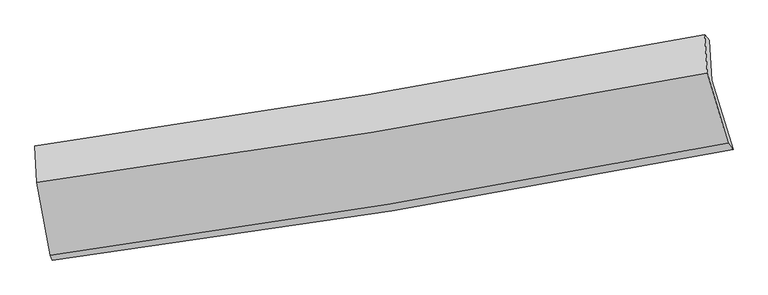
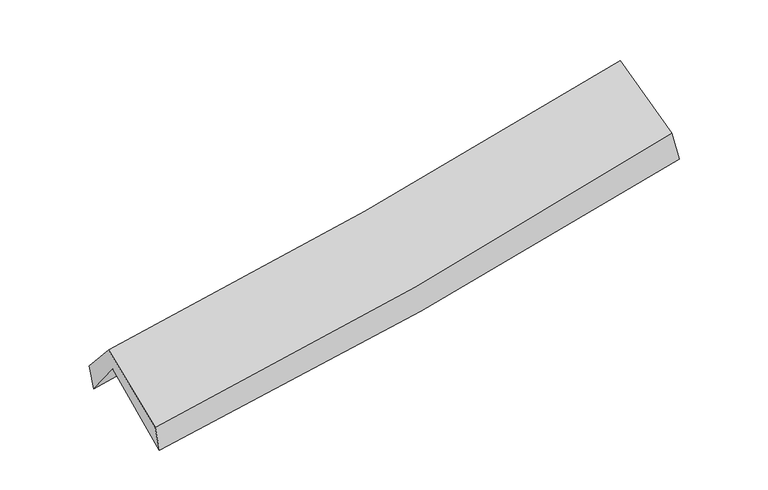
"""IFC4 building model written with IfcOpenShell, lengths in millimetres: proxy geometry."""

from ifc_helpers import new_model, si_unit, frame, origin, place, context, project, spatial, source, transform, mapped, element, save
from ifc_brep_helpers import plane_surface, spline_curve, spline_surface, advanced_brep


def generic_models_6c4c4f39(model_context):
    return source(origin(), model_context, "Body", "AdvancedBrep", [
        advanced_brep(
        [(-2251.8857727, -2455.8220392, 1492.4803083), (-2345.0333462, -1957.3247888, 1923.3232738), (2289.705172, -1213.4972826, 2337.8060975), (2437.8899113, -1692.7693106, 1906.8825181), (-2355.3040173, -1706.2933379, 1602.3762295), (2274.5613291, -938.2817018, 2024.7902574), (-2372.6603212, -1668.490542, 1786.1689587), (2241.9296848, -901.6339123, 2228.4121012), (-2359.8364544, -1921.8660903, 2074.0339644), (2260.2706647, -1167.0555183, 2500.3536814), (-2268.4778621, -2423.7520854, 1675.8258275), (2402.8945214, -1648.1681842, 2116.8915941)],
        [
            (0, 1),
            (1, 2, spline_curve(3, [(-2345.0333462, -1957.3247888, 1923.3232738), (-1575.073067303, -1848.683222323, 1978.811313739), (-806.674643665, -1732.882306512, 2040.795447171), (738.284507846, -1485.152092399, 2178.763767246), (1514.798923361, -1353.010506372, 2254.940575096), (2289.705172, -1213.4972826, 2337.8060975)], [4, 2, 4], [0.0, 7.721446307581661, 15.556533979755066])),
            (2, 3),
            (3, 0, spline_curve(3, [(2437.8899113, -1692.7693106, 1906.8825181), (1656.677045459, -1846.572242224, 1819.175912578), (872.378672514, -1987.432082999, 1740.603061764), (-690.968745005, -2241.410258002, 1602.732024993), (-1469.928933622, -2354.901326796, 1543.170805941), (-2251.8857727, -2455.8220392, 1492.4803083)], [4, 2, 4], [0.0, 7.8350876721734055, 15.556533979755066])),
            (1, 4),
            (4, 5, spline_curve(3, [(-2355.3040173, -1706.2933379, 1602.3762295), (-1587.170109008, -1589.613115721, 1666.516436664), (-820.091727522, -1467.777503257, 1733.509568547), (723.228019561, -1211.926491566, 1874.229649843), (1499.438087097, -1077.758225184, 1948.041194057), (2274.5613291, -938.2817018, 2024.7902574)], [4, 2, 4], [0.0, 7.673894954609958, 15.460731430747988])),
            (5, 2),
            (4, 6),
            (6, 7, spline_curve(3, [(-2372.6603212, -1668.490542, 1786.1689587), (-1605.575665811, -1558.544785969, 1850.089465267), (-840.280158572, -1440.195853983, 1918.600316547), (697.969561777, -1184.826146998, 2065.878584971), (1470.870722923, -1047.556202714, 2144.782114464), (2241.9296848, -901.6339123, 2228.4121012)], [4, 2, 4], [0.0, 7.662851607061899, 15.438482203784778])),
            (7, 5),
            (6, 8),
            (8, 9, spline_curve(3, [(-2359.8364544, -1921.8660903, 2074.0339644), (-1591.069106379, -1815.535752493, 2127.296970977), (-824.47303965, -1699.996960615, 2189.132509441), (715.627049303, -1448.666484376, 2330.984890059), (1489.066689061, -1312.601752324, 2411.255923947), (2260.2706647, -1167.0555183, 2500.3536814)], [4, 2, 4], [0.0, 7.654122575358243, 15.420895669747113])),
            (9, 7),
            (8, 10),
            (10, 11, spline_curve(3, [(-2268.4778621, -2423.7520854, 1675.8258275), (-1489.445866262, -2318.100350801, 1728.219901855), (-713.470066423, -2201.197427572, 1790.828750345), (843.744683446, -1943.003079244, 1937.547785342), (1624.893011496, -1801.378035473, 2021.960859209), (2402.8945214, -1648.1681842, 2116.8915941)], [4, 2, 4], [0.0, 7.701172692718307, 15.515688370532278])),
            (11, 9),
            (10, 0),
            (3, 11),
        ],
        [
            spline_surface(3, 3, [[(-2251.8857727, -2455.8220392, 1492.4803083), (-1469.928933582, -2354.901326796, 1543.17080607), (-690.968745052, -2241.410258033, 1602.732025103), (872.378672562, -1987.432082967, 1740.603061652), (1656.677045343, -1846.572242203, 1819.175912512), (2437.8899113, -1692.7693106, 1906.8825181)], [(-2282.934963852, -2289.65628906, 1636.094630126), (-1504.976978135, -2186.161958658, 1688.384308647), (-729.537377885, -2071.900940841, 1748.753165787), (827.680617628, -1820.005419454, 1886.656630143), (1609.384338041, -1682.051663566, 1964.430799991), (2388.494998201, -1533.011967925, 2050.523711208)], [(-2313.984155048, -2123.49053894, 1779.708951974), (-1540.025022732, -2017.42259054, 1833.597811246), (-768.106010733, -1902.391623663, 1894.77430654), (782.98256268, -1652.578755955, 2032.710198703), (1562.091630736, -1517.531084954, 2109.685687546), (2339.100085099, -1373.254625275, 2194.164904392)], [(-2345.0333462, -1957.3247888, 1923.3232738), (-1575.073067284, -1848.683222402, 1978.811313823), (-806.674643566, -1732.88230647, 2040.795447223), (738.284507746, -1485.152092441, 2178.763767193), (1514.798923435, -1353.010506317, 2254.940575025), (2289.705172, -1213.4972826, 2337.8060975)]], [4, 4], [4, 2, 4], [0.0, 2.232326838100126], [0.0, 7.721446307581661, 15.556533979755066]),
            spline_surface(3, 3, [[(-2345.0333462, -1957.3247888, 1923.3232738), (-1575.073067284, -1848.683222402, 1978.811313823), (-806.674643566, -1732.88230647, 2040.795447223), (738.284507746, -1485.152092441, 2178.763767193), (1514.798923435, -1353.010506317, 2254.940575025), (2289.705172, -1213.4972826, 2337.8060975)], [(-2348.456903243, -1873.647638509, 1816.340925726), (-1579.105414503, -1762.326520188, 1874.713021432), (-811.147004892, -1644.514038723, 1938.366820979), (733.265678367, -1394.07689211, 2077.252394766), (1509.678644632, -1261.259745975, 2152.640781356), (2284.657224368, -1121.758755678, 2233.467484144)], [(-2351.880460257, -1789.970488191, 1709.358577574), (-1583.137761692, -1675.969817946, 1770.614728962), (-815.61936623, -1556.145771049, 1835.938194728), (728.246848974, -1303.001691852, 1975.741022332), (1504.558365825, -1169.508985599, 2050.340987655), (2279.609276732, -1030.020228722, 2129.128870756)], [(-2355.3040173, -1706.2933379, 1602.3762295), (-1587.170108911, -1589.613115732, 1666.516436571), (-820.091727555, -1467.777503301, 1733.509568485), (723.228019594, -1211.926491521, 1874.229649905), (1499.438087022, -1077.758225257, 1948.041193987), (2274.5613291, -938.2817018, 2024.7902574)]], [4, 4], [4, 2, 4], [0.0, 1.3377368102034537], [0.0, 7.673894954609958, 15.460731430747988]),
            spline_surface(3, 3, [[(-2355.3040173, -1706.2933379, 1602.3762295), (-1587.170108911, -1589.613115732, 1666.516436571), (-820.091727555, -1467.777503301, 1733.509568485), (723.228019594, -1211.926491521, 1874.229649905), (1499.438087022, -1077.758225257, 1948.041193987), (2274.5613291, -938.2817018, 2024.7902574)], [(-2361.089451939, -1693.692405939, 1663.640472553), (-1593.305294567, -1579.257005821, 1727.707446091), (-826.82120456, -1458.583620168, 1795.206484506), (714.808533622, -1202.893043392, 1938.112628308), (1489.915632354, -1067.690884388, 2013.621500849), (2263.68411433, -926.065771954, 2092.664205337)], [(-2366.874886561, -1681.091473961, 1724.904715647), (-1599.440480208, -1568.900895891, 1788.898455651), (-833.550681517, -1449.389737009, 1856.903400457), (706.389047698, -1193.859595236, 2001.995606639), (1480.393177696, -1057.623543556, 2079.201807701), (2252.80689957, -913.849842146, 2160.538153263)], [(-2372.6603212, -1668.490542, 1786.1689587), (-1605.575665864, -1558.54478598, 1850.089465172), (-840.280158521, -1440.195853876, 1918.600316478), (697.969561726, -1184.826147107, 2065.878585041), (1470.870723029, -1047.556202687, 2144.782114563), (2241.9296848, -901.6339123, 2228.4121012)]], [4, 4], [4, 2, 4], [0.0, 0.6290899613121934], [0.0, 7.662851607061899, 15.438482203784778]),
            spline_surface(3, 3, [[(-2372.6603212, -1668.490542, 1786.1689587), (-1605.575665864, -1558.54478598, 1850.089465172), (-840.280158521, -1440.195853876, 1918.600316478), (697.969561726, -1184.826147107, 2065.878585041), (1470.870723029, -1047.556202687, 2144.782114563), (2241.9296848, -901.6339123, 2228.4121012)], [(-2368.385698921, -1752.9490581, 1882.123960585), (-1600.740145997, -1644.208441516, 1942.491967059), (-835.011118893, -1526.796222776, 2008.777714089), (703.855390901, -1272.772926194, 2154.247353398), (1476.936045002, -1135.904719264, 2233.606717698), (2248.043344753, -990.107780962, 2319.059294588)], [(-2364.111076679, -1837.4075742, 1978.078962515), (-1595.904626167, -1729.872097051, 2034.894468993), (-829.742079247, -1613.3965917, 2098.955111739), (709.741220096, -1360.719705305, 2242.616121795), (1483.001367016, -1224.253235853, 2322.431320869), (2254.157004747, -1078.581649638, 2409.706488012)], [(-2359.8364544, -1921.8660903, 2074.0339644), (-1591.069106299, -1815.535752587, 2127.29697088), (-824.473039619, -1699.9969606, 2189.13250935), (715.627049271, -1448.666484392, 2330.984890152), (1489.066688989, -1312.60175243, 2411.255924004), (2260.2706647, -1167.0555183, 2500.3536814)]], [4, 4], [4, 2, 4], [0.0, 1.2299962911020323], [0.0, 7.654122575358243, 15.420895669747113]),
            spline_surface(3, 3, [[(-2359.8364544, -1921.8660903, 2074.0339644), (-1591.069106299, -1815.535752587, 2127.29697088), (-824.473039619, -1699.9969606, 2189.13250935), (715.627049271, -1448.666484392, 2330.984890152), (1489.066688989, -1312.60175243, 2411.255924004), (2260.2706647, -1167.0555183, 2500.3536814)], [(-2329.383590299, -2089.161422001, 1941.297918779), (-1557.194692936, -1983.057285341, 1994.27128126), (-787.472048519, -1867.063782945, 2056.36458966), (758.332927316, -1613.445349341, 2199.839188576), (1534.342129787, -1475.527180098, 2281.490902455), (2307.811950271, -1327.426406933, 2372.532985649)], [(-2298.930726201, -2256.456753699, 1808.561873121), (-1523.320279577, -2150.578818092, 1861.245591603), (-750.47105745, -2034.130605261, 1923.596669961), (801.038805329, -1778.22421426, 2068.693486992), (1579.617570572, -1638.452607766, 2151.725880859), (2355.353235829, -1487.797295567, 2244.712289851)], [(-2268.4778621, -2423.7520854, 1675.8258275), (-1489.445866214, -2318.100350845, 1728.219901983), (-713.470066351, -2201.197427607, 1790.828750271), (843.744683373, -1943.003079209, 1937.547785416), (1624.89301137, -1801.378035434, 2021.96085931), (2402.8945214, -1648.1681842, 2116.8915941)]], [4, 4], [4, 2, 4], [0.0, 2.123017401487712], [0.0, 7.701172692718307, 15.515688370532278]),
            spline_surface(3, 3, [[(-2268.4778621, -2423.7520854, 1675.8258275), (-1489.445866214, -2318.100350845, 1728.219901983), (-713.470066351, -2201.197427607, 1790.828750271), (843.744683373, -1943.003079209, 1937.547785416), (1624.89301137, -1801.378035434, 2021.96085931), (2402.8945214, -1648.1681842, 2116.8915941)], [(-2262.947165647, -2434.442069991, 1614.71065443), (-1482.940222017, -2330.367342819, 1666.536870009), (-705.969625915, -2214.601704435, 1728.12984189), (853.289346439, -1957.812747147, 1871.89954417), (1635.487689371, -1816.442771037, 1954.365877052), (2414.559651377, -1663.035226347, 2046.888568774)], [(-2257.416469153, -2445.132054609, 1553.59548137), (-1476.434577779, -2342.634334821, 1604.853838044), (-698.469185488, -2228.005981205, 1665.430933485), (862.834009496, -1972.622415029, 1806.251302899), (1646.082367342, -1831.507506599, 1886.77089477), (2426.224781323, -1677.902268453, 1976.885543426)], [(-2251.8857727, -2455.8220392, 1492.4803083), (-1469.928933582, -2354.901326796, 1543.17080607), (-690.968745052, -2241.410258033, 1602.732025103), (872.378672562, -1987.432082967, 1740.603061652), (1656.677045343, -1846.572242203, 1819.175912512), (2437.8899113, -1692.7693106, 1906.8825181)]], [4, 4], [4, 2, 4], [0.0, 0.652374639746397], [0.0, 7.757421328781122, 15.629013489087704]),
            plane_surface(frame((2317.8752139, -1260.2343183, 2185.8560416), z_axis=(0.97387357050628, 0.19182603100902346, 0.12154440545197784), x_axis=(0.22583181613942624, -0.7617978479334089, -0.6071770991261077))),
            plane_surface(frame((-2325.5329623, -2022.2581473, 1759.0347604), z_axis=(-0.9896525334222264, -0.12666722569608635, -0.06740383539106665), x_axis=(-0.08879079569392248, 0.17161893548603802, 0.9811539815863152))),
        ],
        [
            (0, [[1, 2, 3, 4]]),
            (1, [[5, 6, 7, -2]]),
            (2, [[8, 9, 10, -6]]),
            (3, [[11, 12, 13, -9]]),
            (4, [[14, 15, 16, -12]]),
            (5, [[17, -4, 18, -15]]),
            (6, [[-16, -18, -3, -7, -10, -13]]),
            (7, [[-17, -14, -11, -8, -5, -1]]),
        ],
    ),
    ])


if __name__ == "__main__":
    model = new_model("IFC4")
    model_context = context("Model", 3, world=origin())
    ifc_project = project(units=[si_unit("LENGTHUNIT", "METRE", prefix="MILLI")], contexts=[model_context])
    site = spatial("IfcSite", under=ifc_project)
    building = spatial("IfcBuilding", under=site)
    placement = place(None, origin())
    generic_models_shape = generic_models_6c4c4f39(model_context)
    element("IfcBuildingElementProxy", 1, Name="Generic Models", at=placement, inside=building, context=model_context, shape_type="MappedRepresentation", body=[
        mapped(generic_models_shape, transform((0.0, 0.0, 0.0), x_axis=(1.0, 0.0, 0.0), y_axis=(0.0, 1.0, 0.0), z_axis=(0.0, 0.0, 1.0))),
    ])
    save(model, "model.ifc")
